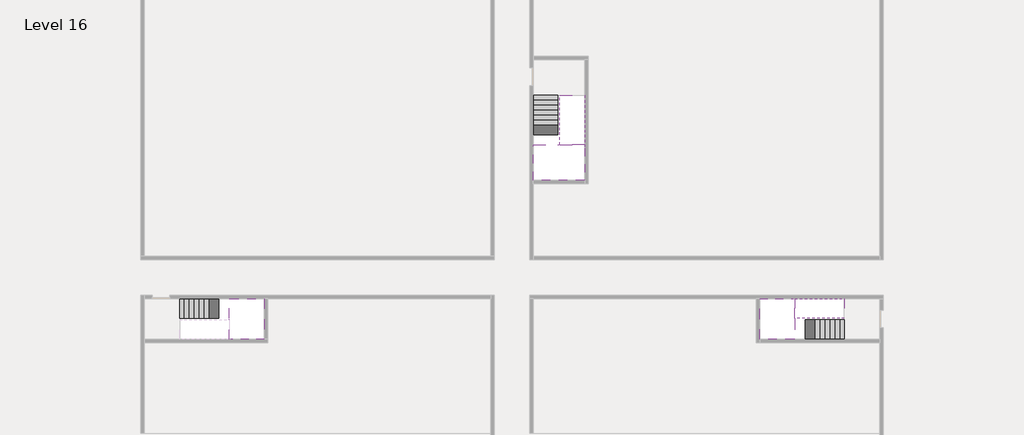
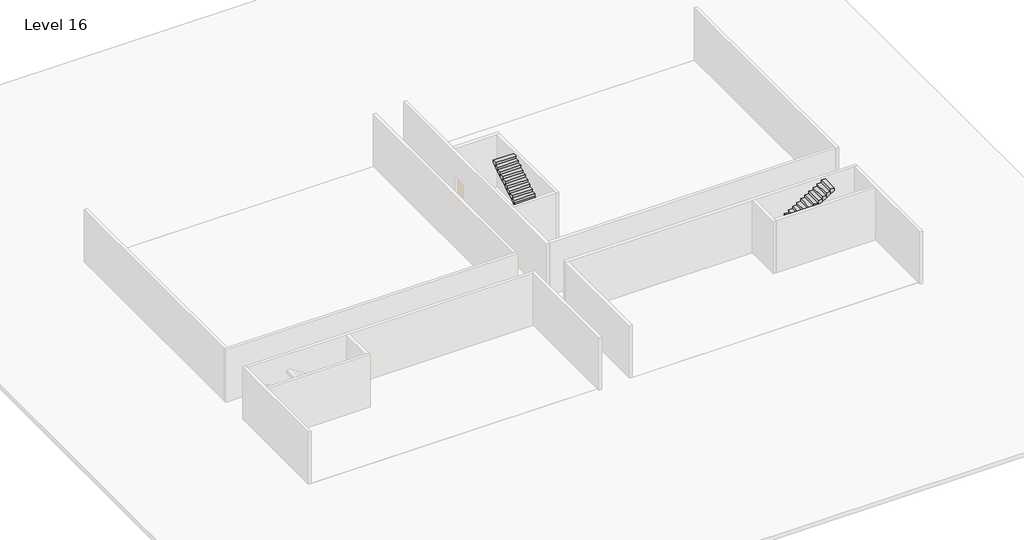
# One storey, part 2 of 2: 5 stair flights, 3 slabs.
"""IFC4 building model written with IfcOpenShell, lengths in millimetres."""

from ifc_helpers import new_model, si_unit, origin, place, context, project, spatial, faceted_brep, element, save

model = new_model("IFC4")

# Units and contexts
model_context = context("Model", 3, world=origin())
ifc_project = project(units=[si_unit("LENGTHUNIT", "METRE", prefix="MILLI")], contexts=[model_context])

# Site, building, storey
site = spatial("IfcSite", under=ifc_project)
building = spatial("IfcBuilding", under=site)
storey = spatial("IfcBuildingStorey", under=building, Name="Level 16", Elevation=57000.0)

# Slabs
placement = place(None, origin())
element("IfcSlab", 1, at=placement, inside=storey, context=model_context, shape_type="Brep", body=[
    faceted_brep([(8190.1058784, -42918.09644, 58900.0), (8190.1058784, -44018.09644, 58900.0), (8190.1058784, -44118.09644, 58900.0), (8190.1058784, -45218.09644, 58900.0), (8390.7194421, -45218.09644, 58900.0), (10190.1058784, -45218.09644, 58900.0), (10190.1058784, -42918.09644, 58900.0), (8269.4923146, -42918.09644, 58900.0), (8190.1058784, -42918.09644, 58727.2727273), (8190.1058784, -42918.09644, 58551.0278478), (8190.1058784, -44018.09644, 58551.0278478), (8190.1058784, -44018.09644, 58600.0), (8190.1058784, -44118.09644, 58600.0), (8190.1058784, -44118.09644, 58723.7551205), (8190.1058784, -45218.09644, 58723.7551205), (8390.7194421, -45218.09644, 58600.0), (10190.1058784, -45218.09644, 58600.0), (10190.1058784, -42918.09644, 58600.0), (8269.4923146, -42918.09644, 58600.0), (8390.7194421, -44118.09644, 58600.0), (8269.4923146, -44018.09644, 58600.0)], [[[0, 1, 2, 3, 4, 5, 6, 7]], [[1, 0, 8, 9, 10, 11]], [[2, 1, 11, 12, 13]], [[3, 2, 13, 14]], [[3, 14, 15, 16, 5, 4]], [[6, 5, 16, 17]], [[9, 8, 0, 7, 6, 17, 18]], [[19, 12, 11, 20, 18, 17, 16, 15]], [[12, 19, 13]], [[18, 20, 10, 9]], [[20, 11, 10]], [[19, 15, 14, 13]]]),
])
element("IfcSlab", 2, at=placement, inside=storey, context=model_context, shape_type="Brep", body=[
    faceted_brep([(40190.1058784, -45218.09644, 58900.0), (40190.1058784, -44118.09644, 58900.0), (40190.1058784, -44018.09644, 58900.0), (40190.1058784, -42918.09644, 58900.0), (39989.4923146, -42918.09644, 58900.0), (38190.1058784, -42918.09644, 58900.0), (38190.1058784, -45218.09644, 58900.0), (40110.7194421, -45218.09644, 58900.0), (40190.1058784, -45218.09644, 58727.2727273), (40190.1058784, -45218.09644, 58551.0278478), (40190.1058784, -44118.09644, 58551.0278478), (40190.1058784, -44118.09644, 58600.0), (40190.1058784, -44018.09644, 58600.0), (40190.1058784, -44018.09644, 58723.7551205), (40190.1058784, -42918.09644, 58723.7551205), (39989.4923146, -42918.09644, 58600.0), (38190.1058784, -42918.09644, 58600.0), (38190.1058784, -45218.09644, 58600.0), (40110.7194421, -45218.09644, 58600.0), (39989.4923146, -44018.09644, 58600.0), (40110.7194421, -44118.09644, 58600.0)], [[[0, 1, 2, 3, 4, 5, 6, 7]], [[1, 0, 8, 9, 10, 11]], [[2, 1, 11, 12, 13]], [[3, 2, 13, 14]], [[3, 14, 15, 16, 5, 4]], [[6, 5, 16, 17]], [[9, 8, 0, 7, 6, 17, 18]], [[19, 12, 11, 20, 18, 17, 16, 15]], [[12, 19, 13]], [[18, 20, 10, 9]], [[20, 11, 10]], [[19, 15, 14, 13]]]),
])
element("IfcSlab", 3, at=placement, inside=storey, context=model_context, shape_type="Brep", body=[
    faceted_brep([(26790.1058784, -34218.09644, 58900.0), (25390.1058784, -34218.09644, 58900.0), (25390.1058784, -34297.4828763, 58900.0), (25390.1058784, -36218.09644, 58900.0), (28290.1058784, -36218.09644, 58900.0), (28290.1058784, -34418.7100038, 58900.0), (28290.1058784, -34218.09644, 58900.0), (26890.1058784, -34218.09644, 58900.0), (26790.1058784, -34218.09644, 58600.0), (26790.1058784, -34218.09644, 58551.0278478), (25390.1058784, -34218.09644, 58551.0278478), (25390.1058784, -34218.09644, 58727.2727273), (25390.1058784, -34297.4828763, 58600.0), (25390.1058784, -36218.09644, 58600.0), (28290.1058784, -36218.09644, 58600.0), (28290.1058784, -34418.7100038, 58600.0), (28290.1058784, -34218.09644, 58723.7551205), (26890.1058784, -34218.09644, 58723.7551205), (26890.1058784, -34218.09644, 58600.0), (26890.1058784, -34418.7100038, 58600.0), (26790.1058784, -34297.4828763, 58600.0)], [[[0, 1, 2, 3, 4, 5, 6, 7]], [[1, 0, 8, 9, 10, 11]], [[1, 11, 10, 12, 13, 3, 2]], [[4, 3, 13, 14]], [[4, 14, 15, 16, 6, 5]], [[7, 6, 16, 17]], [[0, 7, 17, 18, 8]], [[18, 19, 15, 14, 13, 12, 20, 8]], [[19, 18, 17]], [[20, 12, 10, 9]], [[8, 20, 9]], [[15, 19, 17, 16]]]),
])

# Stair flights
element("IfcStairFlight", 4, at=placement, inside=storey, context=model_context, shape_type="Brep", body=[
    faceted_brep([(5670.1058784, -42918.09644, 57172.7272727), (5390.1058784, -42918.09644, 57172.7272727), (5390.1058784, -44018.09644, 57172.7272727), (5670.1058784, -44018.09644, 57172.7272727), (5670.1058784, -42918.09644, 57000.0), (5390.1058784, -42918.09644, 57000.0), (5390.1058784, -44018.09644, 57000.0), (5670.1058784, -44018.09644, 57000.0), (5950.1058784, -42918.09644, 57345.4545455), (5670.1058784, -42918.09644, 57345.4545455), (5670.1058784, -44018.09644, 57345.4545455), (5950.1058784, -44018.09644, 57345.4545455), (5950.1058784, -42918.09644, 57169.209666), (5675.8081041, -42918.09644, 57000.0), (5675.8081041, -44018.09644, 57000.0), (5950.1058784, -44018.09644, 57169.209666), (6230.1058784, -42918.09644, 57518.1818182), (5950.1058784, -42918.09644, 57518.1818182), (5950.1058784, -44018.09644, 57518.1818182), (6230.1058784, -44018.09644, 57518.1818182), (6230.1058784, -42918.09644, 57341.9369387), (6230.1058784, -44018.09644, 57341.9369387), (6510.1058784, -42918.09644, 57690.9090909), (6230.1058784, -42918.09644, 57690.9090909), (6230.1058784, -44018.09644, 57690.9090909), (6510.1058784, -44018.09644, 57690.9090909), (6510.1058784, -42918.09644, 57514.6642114), (6510.1058784, -44018.09644, 57514.6642114), (6790.1058784, -42918.09644, 57863.6363636), (6510.1058784, -42918.09644, 57863.6363636), (6510.1058784, -44018.09644, 57863.6363636), (6790.1058784, -44018.09644, 57863.6363636), (6790.1058784, -42918.09644, 57687.3914841), (6790.1058784, -44018.09644, 57687.3914841), (7070.1058784, -42918.09644, 58036.3636364), (6790.1058784, -42918.09644, 58036.3636364), (6790.1058784, -44018.09644, 58036.3636364), (7070.1058784, -44018.09644, 58036.3636364), (7070.1058784, -42918.09644, 57860.1187569), (7070.1058784, -44018.09644, 57860.1187569), (7350.1058784, -42918.09644, 58209.0909091), (7070.1058784, -42918.09644, 58209.0909091), (7070.1058784, -44018.09644, 58209.0909091), (7350.1058784, -44018.09644, 58209.0909091), (7350.1058784, -42918.09644, 58032.8460296), (7350.1058784, -44018.09644, 58032.8460296), (7630.1058784, -42918.09644, 58381.8181818), (7350.1058784, -42918.09644, 58381.8181818), (7350.1058784, -44018.09644, 58381.8181818), (7630.1058784, -44018.09644, 58381.8181818), (7630.1058784, -42918.09644, 58205.5733023), (7630.1058784, -44018.09644, 58205.5733023), (7910.1058784, -42918.09644, 58554.5454545), (7630.1058784, -42918.09644, 58554.5454545), (7630.1058784, -44018.09644, 58554.5454545), (7910.1058784, -44018.09644, 58554.5454545), (7910.1058784, -42918.09644, 58378.3005751), (7910.1058784, -44018.09644, 58378.3005751), (8190.1058784, -42918.09644, 58727.2727273), (7910.1058784, -42918.09644, 58727.2727273), (7910.1058784, -44018.09644, 58727.2727273), (8190.1058784, -44018.09644, 58727.2727273), (8190.1058784, -42918.09644, 58551.0278478), (8190.1058784, -44018.09644, 58551.0278478), (8190.1058784, -44018.09644, 58600.0)], [[[0, 1, 2, 3]], [[1, 0, 4, 5]], [[2, 1, 5, 6]], [[3, 2, 6, 7]], [[8, 9, 10, 11]], [[4, 0, 9, 8, 12, 13]], [[0, 3, 10, 9]], [[3, 7, 14, 15, 11, 10]], [[16, 17, 18, 19]], [[17, 16, 20, 12, 8]], [[8, 11, 18, 17]], [[19, 18, 11, 15, 21]], [[22, 23, 24, 25]], [[23, 22, 26, 20, 16]], [[16, 19, 24, 23]], [[25, 24, 19, 21, 27]], [[28, 29, 30, 31]], [[29, 28, 32, 26, 22]], [[22, 25, 30, 29]], [[31, 30, 25, 27, 33]], [[34, 35, 36, 37]], [[35, 34, 38, 32, 28]], [[28, 31, 36, 35]], [[37, 36, 31, 33, 39]], [[40, 41, 42, 43]], [[41, 40, 44, 38, 34]], [[34, 37, 42, 41]], [[43, 42, 37, 39, 45]], [[46, 47, 48, 49]], [[47, 46, 50, 44, 40]], [[40, 43, 48, 47]], [[49, 48, 43, 45, 51]], [[52, 53, 54, 55]], [[53, 52, 56, 50, 46]], [[46, 49, 54, 53]], [[55, 54, 49, 51, 57]], [[58, 59, 60, 61]], [[59, 58, 62, 56, 52]], [[52, 55, 60, 59]], [[61, 60, 55, 57, 63, 64]], [[58, 61, 64, 63, 62]], [[5, 4, 13, 14, 7, 6]], [[14, 13, 12, 20, 26, 32, 38, 44, 50, 56, 62, 63, 57, 51, 45, 39, 33, 27, 21, 15]]]),
])
element("IfcStairFlight", 5, at=placement, inside=storey, context=model_context, shape_type="Brep", body=[
    faceted_brep([(42710.1058784, -45218.09644, 57172.7272727), (42990.1058784, -45218.09644, 57172.7272727), (42990.1058784, -44118.09644, 57172.7272727), (42710.1058784, -44118.09644, 57172.7272727), (42710.1058784, -45218.09644, 57000.0), (42990.1058784, -45218.09644, 57000.0), (42990.1058784, -44118.09644, 57000.0), (42710.1058784, -44118.09644, 57000.0), (42430.1058784, -45218.09644, 57345.4545455), (42710.1058784, -45218.09644, 57345.4545455), (42710.1058784, -44118.09644, 57345.4545455), (42430.1058784, -44118.09644, 57345.4545455), (42430.1058784, -45218.09644, 57169.209666), (42704.4036527, -45218.09644, 57000.0), (42704.4036527, -44118.09644, 57000.0), (42430.1058784, -44118.09644, 57169.209666), (42150.1058784, -45218.09644, 57518.1818182), (42430.1058784, -45218.09644, 57518.1818182), (42430.1058784, -44118.09644, 57518.1818182), (42150.1058784, -44118.09644, 57518.1818182), (42150.1058784, -45218.09644, 57341.9369387), (42150.1058784, -44118.09644, 57341.9369387), (41870.1058784, -45218.09644, 57690.9090909), (42150.1058784, -45218.09644, 57690.9090909), (42150.1058784, -44118.09644, 57690.9090909), (41870.1058784, -44118.09644, 57690.9090909), (41870.1058784, -45218.09644, 57514.6642114), (41870.1058784, -44118.09644, 57514.6642114), (41590.1058784, -45218.09644, 57863.6363636), (41870.1058784, -45218.09644, 57863.6363636), (41870.1058784, -44118.09644, 57863.6363636), (41590.1058784, -44118.09644, 57863.6363636), (41590.1058784, -45218.09644, 57687.3914841), (41590.1058784, -44118.09644, 57687.3914841), (41310.1058784, -45218.09644, 58036.3636364), (41590.1058784, -45218.09644, 58036.3636364), (41590.1058784, -44118.09644, 58036.3636364), (41310.1058784, -44118.09644, 58036.3636364), (41310.1058784, -45218.09644, 57860.1187569), (41310.1058784, -44118.09644, 57860.1187569), (41030.1058784, -45218.09644, 58209.0909091), (41310.1058784, -45218.09644, 58209.0909091), (41310.1058784, -44118.09644, 58209.0909091), (41030.1058784, -44118.09644, 58209.0909091), (41030.1058784, -45218.09644, 58032.8460296), (41030.1058784, -44118.09644, 58032.8460296), (40750.1058784, -45218.09644, 58381.8181818), (41030.1058784, -45218.09644, 58381.8181818), (41030.1058784, -44118.09644, 58381.8181818), (40750.1058784, -44118.09644, 58381.8181818), (40750.1058784, -45218.09644, 58205.5733023), (40750.1058784, -44118.09644, 58205.5733023), (40470.1058784, -45218.09644, 58554.5454545), (40750.1058784, -45218.09644, 58554.5454545), (40750.1058784, -44118.09644, 58554.5454545), (40470.1058784, -44118.09644, 58554.5454545), (40470.1058784, -45218.09644, 58378.3005751), (40470.1058784, -44118.09644, 58378.3005751), (40190.1058784, -45218.09644, 58727.2727273), (40470.1058784, -45218.09644, 58727.2727273), (40470.1058784, -44118.09644, 58727.2727273), (40190.1058784, -44118.09644, 58727.2727273), (40190.1058784, -45218.09644, 58551.0278478), (40190.1058784, -44118.09644, 58551.0278478), (40190.1058784, -44118.09644, 58600.0)], [[[0, 1, 2, 3]], [[1, 0, 4, 5]], [[2, 1, 5, 6]], [[3, 2, 6, 7]], [[8, 9, 10, 11]], [[4, 0, 9, 8, 12, 13]], [[0, 3, 10, 9]], [[3, 7, 14, 15, 11, 10]], [[16, 17, 18, 19]], [[17, 16, 20, 12, 8]], [[8, 11, 18, 17]], [[19, 18, 11, 15, 21]], [[22, 23, 24, 25]], [[23, 22, 26, 20, 16]], [[16, 19, 24, 23]], [[25, 24, 19, 21, 27]], [[28, 29, 30, 31]], [[29, 28, 32, 26, 22]], [[22, 25, 30, 29]], [[31, 30, 25, 27, 33]], [[34, 35, 36, 37]], [[35, 34, 38, 32, 28]], [[28, 31, 36, 35]], [[37, 36, 31, 33, 39]], [[40, 41, 42, 43]], [[41, 40, 44, 38, 34]], [[34, 37, 42, 41]], [[43, 42, 37, 39, 45]], [[46, 47, 48, 49]], [[47, 46, 50, 44, 40]], [[40, 43, 48, 47]], [[49, 48, 43, 45, 51]], [[52, 53, 54, 55]], [[53, 52, 56, 50, 46]], [[46, 49, 54, 53]], [[55, 54, 49, 51, 57]], [[58, 59, 60, 61]], [[59, 58, 62, 56, 52]], [[52, 55, 60, 59]], [[61, 60, 55, 57, 63, 64]], [[58, 61, 64, 63, 62]], [[5, 4, 13, 14, 7, 6]], [[14, 13, 12, 20, 26, 32, 38, 44, 50, 56, 62, 63, 57, 51, 45, 39, 33, 27, 21, 15]]]),
])
element("IfcStairFlight", 6, at=placement, inside=storey, context=model_context, shape_type="Brep", body=[
    faceted_brep([(40470.1058784, -42918.09644, 59072.7272727), (40190.1058784, -42918.09644, 59072.7272727), (40190.1058784, -44018.09644, 59072.7272727), (40470.1058784, -44018.09644, 59072.7272727), (40470.1058784, -42918.09644, 58896.4823932), (40190.1058784, -42918.09644, 58723.7551205), (40190.1058784, -42918.09644, 58900.0), (40190.1058784, -44018.09644, 58723.7551205), (40470.1058784, -44018.09644, 58896.4823932), (40750.1058784, -42918.09644, 59245.4545455), (40470.1058784, -42918.09644, 59245.4545455), (40470.1058784, -44018.09644, 59245.4545455), (40750.1058784, -44018.09644, 59245.4545455), (40750.1058784, -42918.09644, 59069.209666), (40750.1058784, -44018.09644, 59069.209666), (41030.1058784, -42918.09644, 59418.1818182), (40750.1058784, -42918.09644, 59418.1818182), (40750.1058784, -44018.09644, 59418.1818182), (41030.1058784, -44018.09644, 59418.1818182), (41030.1058784, -42918.09644, 59241.9369387), (41030.1058784, -44018.09644, 59241.9369387), (41310.1058784, -42918.09644, 59590.9090909), (41030.1058784, -42918.09644, 59590.9090909), (41030.1058784, -44018.09644, 59590.9090909), (41310.1058784, -44018.09644, 59590.9090909), (41310.1058784, -42918.09644, 59414.6642114), (41310.1058784, -44018.09644, 59414.6642114), (41590.1058784, -42918.09644, 59763.6363636), (41310.1058784, -42918.09644, 59763.6363636), (41310.1058784, -44018.09644, 59763.6363636), (41590.1058784, -44018.09644, 59763.6363636), (41590.1058784, -42918.09644, 59587.3914841), (41590.1058784, -44018.09644, 59587.3914841), (41870.1058784, -42918.09644, 59936.3636364), (41590.1058784, -42918.09644, 59936.3636364), (41590.1058784, -44018.09644, 59936.3636364), (41870.1058784, -44018.09644, 59936.3636364), (41870.1058784, -42918.09644, 59760.1187569), (41870.1058784, -44018.09644, 59760.1187569), (42150.1058784, -42918.09644, 60109.0909091), (41870.1058784, -42918.09644, 60109.0909091), (41870.1058784, -44018.09644, 60109.0909091), (42150.1058784, -44018.09644, 60109.0909091), (42150.1058784, -42918.09644, 59932.8460296), (42150.1058784, -44018.09644, 59932.8460296), (42430.1058784, -42918.09644, 60281.8181818), (42150.1058784, -42918.09644, 60281.8181818), (42150.1058784, -44018.09644, 60281.8181818), (42430.1058784, -44018.09644, 60281.8181818), (42430.1058784, -42918.09644, 60105.5733023), (42430.1058784, -44018.09644, 60105.5733023), (42710.1058784, -42918.09644, 60454.5454545), (42430.1058784, -42918.09644, 60454.5454545), (42430.1058784, -44018.09644, 60454.5454545), (42710.1058784, -44018.09644, 60454.5454545), (42710.1058784, -42918.09644, 60278.3005751), (42710.1058784, -44018.09644, 60278.3005751), (42990.1058784, -42918.09644, 60627.2727273), (42710.1058784, -42918.09644, 60627.2727273), (42710.1058784, -44018.09644, 60627.2727273), (42990.1058784, -44018.09644, 60627.2727273), (42990.1058784, -42918.09644, 60451.0278478), (42990.1058784, -44018.09644, 60451.0278478)], [[[0, 1, 2, 3]], [[1, 0, 4, 5, 6]], [[2, 1, 6, 5, 7]], [[3, 2, 7, 8]], [[9, 10, 11, 12]], [[10, 9, 13, 4, 0]], [[11, 10, 0, 3]], [[12, 11, 3, 8, 14]], [[15, 16, 17, 18]], [[16, 15, 19, 13, 9]], [[17, 16, 9, 12]], [[18, 17, 12, 14, 20]], [[21, 22, 23, 24]], [[22, 21, 25, 19, 15]], [[23, 22, 15, 18]], [[24, 23, 18, 20, 26]], [[27, 28, 29, 30]], [[28, 27, 31, 25, 21]], [[29, 28, 21, 24]], [[30, 29, 24, 26, 32]], [[33, 34, 35, 36]], [[34, 33, 37, 31, 27]], [[35, 34, 27, 30]], [[36, 35, 30, 32, 38]], [[39, 40, 41, 42]], [[40, 39, 43, 37, 33]], [[41, 40, 33, 36]], [[42, 41, 36, 38, 44]], [[45, 46, 47, 48]], [[46, 45, 49, 43, 39]], [[47, 46, 39, 42]], [[48, 47, 42, 44, 50]], [[51, 52, 53, 54]], [[52, 51, 55, 49, 45]], [[53, 52, 45, 48]], [[54, 53, 48, 50, 56]], [[57, 58, 59, 60]], [[58, 57, 61, 55, 51]], [[59, 58, 51, 54]], [[60, 59, 54, 56, 62]], [[57, 60, 62, 61]], [[5, 4, 13, 19, 25, 31, 37, 43, 49, 55, 61, 62, 56, 50, 44, 38, 32, 26, 20, 14, 8, 7]]]),
])
element("IfcStairFlight", 7, at=placement, inside=storey, context=model_context, shape_type="Brep", body=[
    faceted_brep([(26790.1058784, -31698.09644, 57172.7272727), (26790.1058784, -31418.09644, 57172.7272727), (25390.1058784, -31418.09644, 57172.7272727), (25390.1058784, -31698.09644, 57172.7272727), (26790.1058784, -31698.09644, 57000.0), (26790.1058784, -31418.09644, 57000.0), (25390.1058784, -31418.09644, 57000.0), (25390.1058784, -31698.09644, 57000.0), (26790.1058784, -31978.09644, 57345.4545455), (26790.1058784, -31698.09644, 57345.4545455), (25390.1058784, -31698.09644, 57345.4545455), (25390.1058784, -31978.09644, 57345.4545455), (26790.1058784, -31978.09644, 57169.209666), (26790.1058784, -31703.7986657, 57000.0), (25390.1058784, -31703.7986657, 57000.0), (25390.1058784, -31978.09644, 57169.209666), (26790.1058784, -32258.09644, 57518.1818182), (26790.1058784, -31978.09644, 57518.1818182), (25390.1058784, -31978.09644, 57518.1818182), (25390.1058784, -32258.09644, 57518.1818182), (26790.1058784, -32258.09644, 57341.9369387), (25390.1058784, -32258.09644, 57341.9369387), (26790.1058784, -32538.09644, 57690.9090909), (26790.1058784, -32258.09644, 57690.9090909), (25390.1058784, -32258.09644, 57690.9090909), (25390.1058784, -32538.09644, 57690.9090909), (26790.1058784, -32538.09644, 57514.6642114), (25390.1058784, -32538.09644, 57514.6642114), (26790.1058784, -32818.09644, 57863.6363636), (26790.1058784, -32538.09644, 57863.6363636), (25390.1058784, -32538.09644, 57863.6363636), (25390.1058784, -32818.09644, 57863.6363636), (26790.1058784, -32818.09644, 57687.3914841), (25390.1058784, -32818.09644, 57687.3914841), (26790.1058784, -33098.09644, 58036.3636364), (26790.1058784, -32818.09644, 58036.3636364), (25390.1058784, -32818.09644, 58036.3636364), (25390.1058784, -33098.09644, 58036.3636364), (26790.1058784, -33098.09644, 57860.1187569), (25390.1058784, -33098.09644, 57860.1187569), (26790.1058784, -33378.09644, 58209.0909091), (26790.1058784, -33098.09644, 58209.0909091), (25390.1058784, -33098.09644, 58209.0909091), (25390.1058784, -33378.09644, 58209.0909091), (26790.1058784, -33378.09644, 58032.8460296), (25390.1058784, -33378.09644, 58032.8460296), (26790.1058784, -33658.09644, 58381.8181818), (26790.1058784, -33378.09644, 58381.8181818), (25390.1058784, -33378.09644, 58381.8181818), (25390.1058784, -33658.09644, 58381.8181818), (26790.1058784, -33658.09644, 58205.5733023), (25390.1058784, -33658.09644, 58205.5733023), (26790.1058784, -33938.09644, 58554.5454545), (26790.1058784, -33658.09644, 58554.5454545), (25390.1058784, -33658.09644, 58554.5454545), (25390.1058784, -33938.09644, 58554.5454545), (26790.1058784, -33938.09644, 58378.3005751), (25390.1058784, -33938.09644, 58378.3005751), (26790.1058784, -34218.09644, 58727.2727273), (26790.1058784, -33938.09644, 58727.2727273), (25390.1058784, -33938.09644, 58727.2727273), (25390.1058784, -34218.09644, 58727.2727273), (26790.1058784, -34218.09644, 58600.0), (26790.1058784, -34218.09644, 58551.0278478), (25390.1058784, -34218.09644, 58551.0278478)], [[[0, 1, 2, 3]], [[1, 0, 4, 5]], [[2, 1, 5, 6]], [[3, 2, 6, 7]], [[8, 9, 10, 11]], [[4, 0, 9, 8, 12, 13]], [[0, 3, 10, 9]], [[3, 7, 14, 15, 11, 10]], [[16, 17, 18, 19]], [[17, 16, 20, 12, 8]], [[8, 11, 18, 17]], [[19, 18, 11, 15, 21]], [[22, 23, 24, 25]], [[23, 22, 26, 20, 16]], [[16, 19, 24, 23]], [[25, 24, 19, 21, 27]], [[28, 29, 30, 31]], [[29, 28, 32, 26, 22]], [[22, 25, 30, 29]], [[31, 30, 25, 27, 33]], [[34, 35, 36, 37]], [[35, 34, 38, 32, 28]], [[28, 31, 36, 35]], [[37, 36, 31, 33, 39]], [[40, 41, 42, 43]], [[41, 40, 44, 38, 34]], [[34, 37, 42, 41]], [[43, 42, 37, 39, 45]], [[46, 47, 48, 49]], [[47, 46, 50, 44, 40]], [[40, 43, 48, 47]], [[49, 48, 43, 45, 51]], [[52, 53, 54, 55]], [[53, 52, 56, 50, 46]], [[46, 49, 54, 53]], [[55, 54, 49, 51, 57]], [[58, 59, 60, 61]], [[59, 58, 62, 63, 56, 52]], [[52, 55, 60, 59]], [[61, 60, 55, 57, 64]], [[58, 61, 64, 63, 62]], [[5, 4, 13, 14, 7, 6]], [[14, 13, 12, 20, 26, 32, 38, 44, 50, 56, 63, 64, 57, 51, 45, 39, 33, 27, 21, 15]]]),
])
element("IfcStairFlight", 8, at=placement, inside=storey, context=model_context, shape_type="Brep", body=[
    faceted_brep([(26890.1058784, -33938.09644, 59072.7272727), (26890.1058784, -34218.09644, 59072.7272727), (28290.1058784, -34218.09644, 59072.7272727), (28290.1058784, -33938.09644, 59072.7272727), (26890.1058784, -33938.09644, 58896.4823932), (26890.1058784, -34218.09644, 58723.7551205), (28290.1058784, -34218.09644, 58723.7551205), (28290.1058784, -34218.09644, 58900.0), (28290.1058784, -33938.09644, 58896.4823932), (26890.1058784, -33658.09644, 59245.4545455), (26890.1058784, -33938.09644, 59245.4545455), (28290.1058784, -33938.09644, 59245.4545455), (28290.1058784, -33658.09644, 59245.4545455), (26890.1058784, -33658.09644, 59069.209666), (28290.1058784, -33658.09644, 59069.209666), (26890.1058784, -33378.09644, 59418.1818182), (26890.1058784, -33658.09644, 59418.1818182), (28290.1058784, -33658.09644, 59418.1818182), (28290.1058784, -33378.09644, 59418.1818182), (26890.1058784, -33378.09644, 59241.9369387), (28290.1058784, -33378.09644, 59241.9369387), (26890.1058784, -33098.09644, 59590.9090909), (26890.1058784, -33378.09644, 59590.9090909), (28290.1058784, -33378.09644, 59590.9090909), (28290.1058784, -33098.09644, 59590.9090909), (26890.1058784, -33098.09644, 59414.6642114), (28290.1058784, -33098.09644, 59414.6642114), (26890.1058784, -32818.09644, 59763.6363636), (26890.1058784, -33098.09644, 59763.6363636), (28290.1058784, -33098.09644, 59763.6363636), (28290.1058784, -32818.09644, 59763.6363636), (26890.1058784, -32818.09644, 59587.3914841), (28290.1058784, -32818.09644, 59587.3914841), (26890.1058784, -32538.09644, 59936.3636364), (26890.1058784, -32818.09644, 59936.3636364), (28290.1058784, -32818.09644, 59936.3636364), (28290.1058784, -32538.09644, 59936.3636364), (26890.1058784, -32538.09644, 59760.1187569), (28290.1058784, -32538.09644, 59760.1187569), (26890.1058784, -32258.09644, 60109.0909091), (26890.1058784, -32538.09644, 60109.0909091), (28290.1058784, -32538.09644, 60109.0909091), (28290.1058784, -32258.09644, 60109.0909091), (26890.1058784, -32258.09644, 59932.8460296), (28290.1058784, -32258.09644, 59932.8460296), (26890.1058784, -31978.09644, 60281.8181818), (26890.1058784, -32258.09644, 60281.8181818), (28290.1058784, -32258.09644, 60281.8181818), (28290.1058784, -31978.09644, 60281.8181818), (26890.1058784, -31978.09644, 60105.5733023), (28290.1058784, -31978.09644, 60105.5733023), (26890.1058784, -31698.09644, 60454.5454545), (26890.1058784, -31978.09644, 60454.5454545), (28290.1058784, -31978.09644, 60454.5454545), (28290.1058784, -31698.09644, 60454.5454545), (26890.1058784, -31698.09644, 60278.3005751), (28290.1058784, -31698.09644, 60278.3005751), (26890.1058784, -31418.09644, 60627.2727273), (26890.1058784, -31698.09644, 60627.2727273), (28290.1058784, -31698.09644, 60627.2727273), (28290.1058784, -31418.09644, 60627.2727273), (26890.1058784, -31418.09644, 60451.0278478), (28290.1058784, -31418.09644, 60451.0278478)], [[[0, 1, 2, 3]], [[1, 0, 4, 5]], [[2, 1, 5, 6, 7]], [[3, 2, 7, 6, 8]], [[9, 10, 11, 12]], [[10, 9, 13, 4, 0]], [[11, 10, 0, 3]], [[12, 11, 3, 8, 14]], [[15, 16, 17, 18]], [[16, 15, 19, 13, 9]], [[17, 16, 9, 12]], [[18, 17, 12, 14, 20]], [[21, 22, 23, 24]], [[22, 21, 25, 19, 15]], [[23, 22, 15, 18]], [[24, 23, 18, 20, 26]], [[27, 28, 29, 30]], [[28, 27, 31, 25, 21]], [[29, 28, 21, 24]], [[30, 29, 24, 26, 32]], [[33, 34, 35, 36]], [[34, 33, 37, 31, 27]], [[35, 34, 27, 30]], [[36, 35, 30, 32, 38]], [[39, 40, 41, 42]], [[40, 39, 43, 37, 33]], [[41, 40, 33, 36]], [[42, 41, 36, 38, 44]], [[45, 46, 47, 48]], [[46, 45, 49, 43, 39]], [[47, 46, 39, 42]], [[48, 47, 42, 44, 50]], [[51, 52, 53, 54]], [[52, 51, 55, 49, 45]], [[53, 52, 45, 48]], [[54, 53, 48, 50, 56]], [[57, 58, 59, 60]], [[58, 57, 61, 55, 51]], [[59, 58, 51, 54]], [[60, 59, 54, 56, 62]], [[57, 60, 62, 61]], [[5, 4, 13, 19, 25, 31, 37, 43, 49, 55, 61, 62, 56, 50, 44, 38, 32, 26, 20, 14, 8, 6]]]),
])

save(model, "model.ifc")
